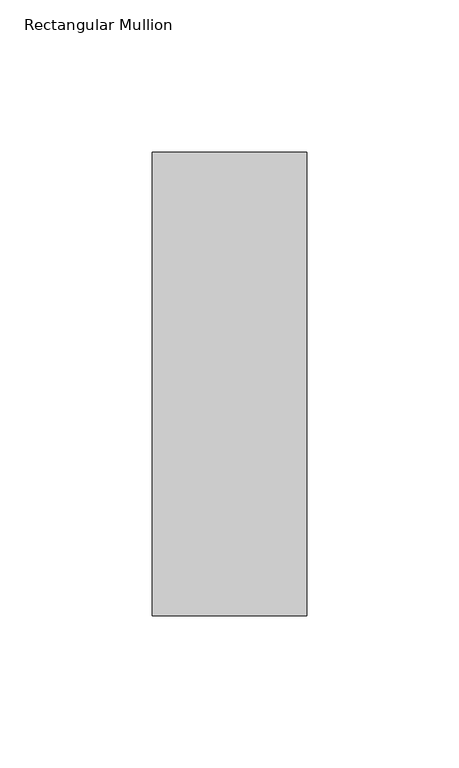
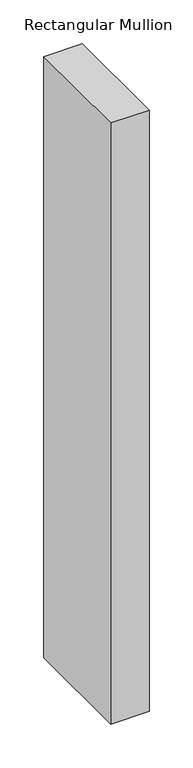
"""IFC4 building model written with IfcOpenShell, lengths in millimetres: member geometry, Rectangular Mullion."""

from ifc_helpers import new_model, si_unit, frame, origin, place, context, project, spatial, polyline, outline, extrude, source, transform, mapped, element, save


def rectangular_mullion_e81ab452(model_context):
    return source(origin(), model_context, "Body", "SweptSolid", [
        extrude(outline(polyline([(-25.3802906, -26.19375), (-25.3802906, 126.20625), (25.4158389, 126.20625), (25.4158389, -26.19375), (-25.3802906, -26.19375)])), frame((0.0, 0.0, -838.2), z_axis=(0.0, 0.0, 1.0), x_axis=(1.0, 0.0, 0.0)), (0.0, 0.0, 1.0), 838.2),
    ])


if __name__ == "__main__":
    model = new_model("IFC4")
    model_context = context("Model", 3, world=origin())
    ifc_project = project(units=[si_unit("LENGTHUNIT", "METRE", prefix="MILLI")], contexts=[model_context])
    site = spatial("IfcSite", under=ifc_project)
    building = spatial("IfcBuilding", under=site)
    placement = place(None, origin())
    rectangular_mullion_shape = rectangular_mullion_e81ab452(model_context)
    element("IfcMember", 1, ObjectType="Rectangular Mullion", at=placement, inside=building, context=model_context, shape_type="MappedRepresentation", body=[
        mapped(rectangular_mullion_shape, transform((0.0, 0.0, 0.0), x_axis=(1.0, 0.0, 0.0), y_axis=(0.0, 1.0, 0.0), z_axis=(0.0, 0.0, 1.0))),
    ])
    save(model, "model.ifc")
